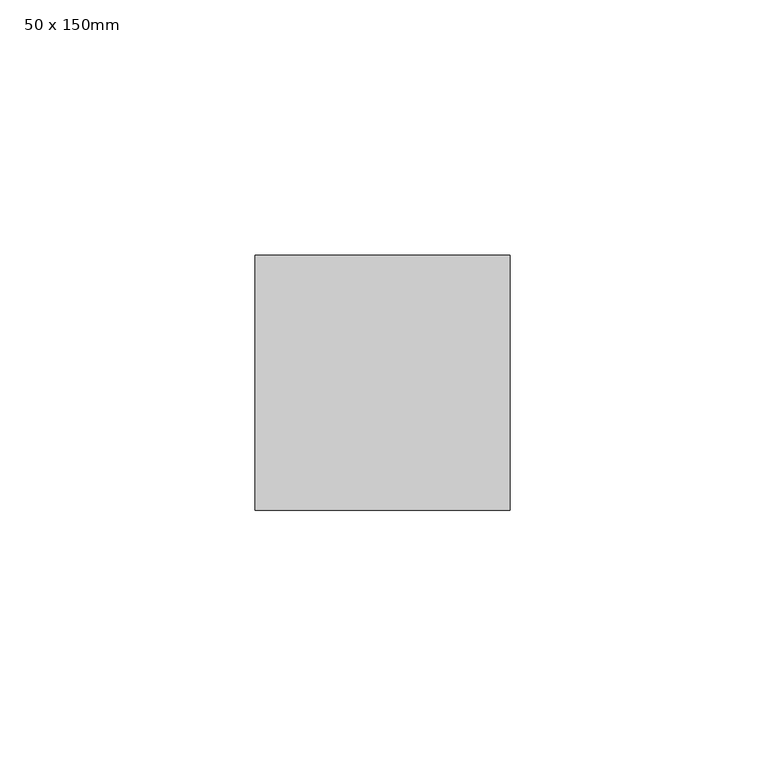
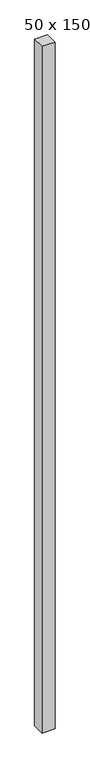
"""IFC4 building model written with IfcOpenShell, lengths in millimetres: member geometry, 50 x 150mm."""

from ifc_helpers import new_model, si_unit, frame, origin, place, context, project, spatial, polyline, outline, extrude, source, transform, mapped, element, save


def member_50_x_150mm_460677ef(model_context):
    return source(origin(), model_context, "Body", "SweptSolid", [
        extrude(outline(polyline([(25.0, 25.0), (25.0, -25.0), (-25.0, -25.0), (-25.0, 25.0), (25.0, 25.0)])), frame((0.0, 0.0, -2836.6376974), z_axis=(0.0, 0.0, 1.0), x_axis=(1.0, 0.0, 0.0)), (0.0, 0.0, 1.0), 2836.6376974),
    ])


if __name__ == "__main__":
    model = new_model("IFC4")
    model_context = context("Model", 3, world=origin())
    ifc_project = project(units=[si_unit("LENGTHUNIT", "METRE", prefix="MILLI")], contexts=[model_context])
    site = spatial("IfcSite", under=ifc_project)
    building = spatial("IfcBuilding", under=site)
    placement = place(None, origin())
    member_50_x_150mm_shape = member_50_x_150mm_460677ef(model_context)
    element("IfcMember", 1, ObjectType="50 x 150mm", at=placement, inside=building, context=model_context, shape_type="MappedRepresentation", body=[
        mapped(member_50_x_150mm_shape, transform((0.0, 0.0, 0.0), x_axis=(1.0, 0.0, 0.0), y_axis=(0.0, 1.0, 0.0), z_axis=(0.0, 0.0, 1.0))),
    ])
    save(model, "model.ifc")
